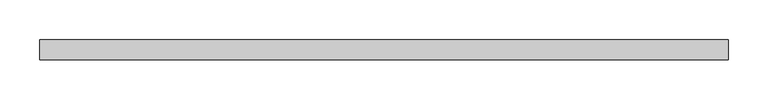
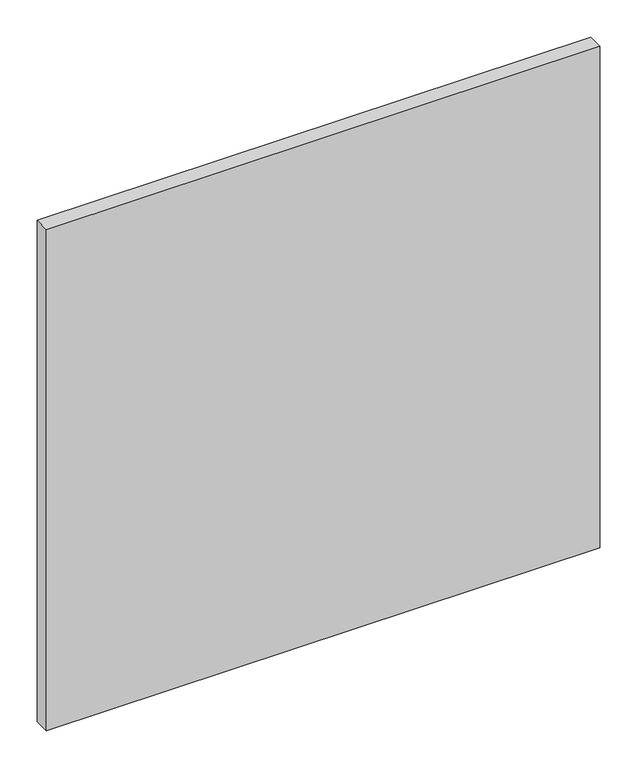
"""IFC4 building model written with IfcOpenShell, lengths in millimetres: plate geometry."""

from ifc_helpers import new_model, si_unit, origin, origin_with_axes, place, context, project, spatial, polyline, outline, extrude, source, transform, mapped, element, save


def plate_3e6161ac(model_context):
    return source(origin(), model_context, "Body", "SweptSolid", [
        extrude(outline(polyline([(430.7834526, 24.5), (-430.7834526, 24.5), (-430.7834526, 49.5), (430.7834526, 49.5), (430.7834526, 24.5)])), origin_with_axes(), (0.0, 0.0, 1.0), 825.0),
    ])


if __name__ == "__main__":
    model = new_model("IFC4")
    model_context = context("Model", 3, world=origin())
    ifc_project = project(units=[si_unit("LENGTHUNIT", "METRE", prefix="MILLI")], contexts=[model_context])
    site = spatial("IfcSite", under=ifc_project)
    building = spatial("IfcBuilding", under=site)
    placement = place(None, origin())
    plate_shape = plate_3e6161ac(model_context)
    element("IfcPlate", 1, at=placement, inside=building, context=model_context, shape_type="MappedRepresentation", body=[
        mapped(plate_shape, transform((0.0, 0.0, 0.0), x_axis=(1.0, 0.0, 0.0), y_axis=(0.0, 1.0, 0.0), z_axis=(0.0, 0.0, 1.0))),
    ])
    save(model, "model.ifc")
